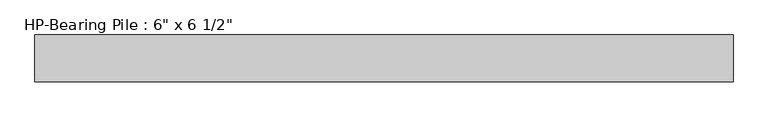
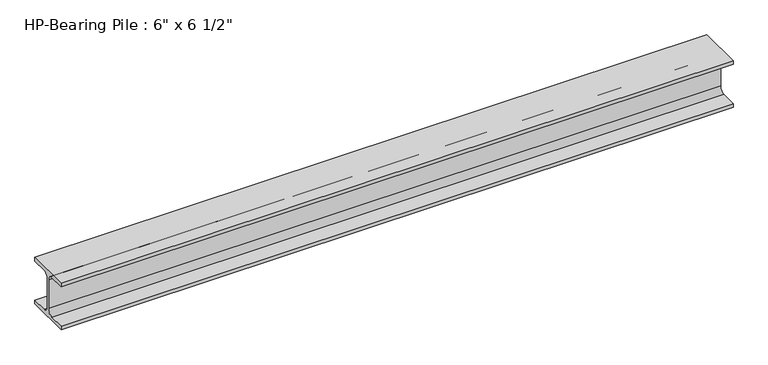
"""IFC4 building model written with IfcOpenShell, lengths in millimetres: beam geometry."""

from ifc_helpers import new_model, si_unit, point, frame, frame_2d, origin, place, context, project, spatial, polyline, circle_curve, trimmed, segment, composite_curve, outline, extrude, source, transform, mapped, element, save


def beam_7b794544(model_context):
    return source(origin(), model_context, "Body", "SweptSolid", [
        extrude(outline(composite_curve([segment(polyline([(76.2, -69.85), (76.2, -82.55), (-76.2, -82.55), (-76.2, -69.85), (-22.225, -69.85)]), True, "CONTINUOUS"), segment(trimmed(circle_curve(frame_2d((-22.225, -50.8)), 19.05), [point((-22.225, -69.85))], [point((-3.175, -50.8))], True, "CARTESIAN"), True, "CONTINUOUS"), segment(polyline([(-3.175, -50.8), (-3.175, 50.8)]), True, "CONTINUOUS"), segment(trimmed(circle_curve(frame_2d((-22.225, 50.8)), 19.05), [point((-3.175, 50.8))], [point((-22.225, 69.85))], True, "CARTESIAN"), True, "CONTINUOUS"), segment(polyline([(-22.225, 69.85), (-76.2, 69.85), (-76.2, 82.55), (76.2, 82.55), (76.2, 69.85), (22.225, 69.85)]), True, "CONTINUOUS"), segment(trimmed(circle_curve(frame_2d((22.225, 50.8)), 19.05), [point((22.225, 69.85))], [point((3.175, 50.8))], True, "CARTESIAN"), True, "CONTINUOUS"), segment(polyline([(3.175, 50.8), (3.175, -50.8)]), True, "CONTINUOUS"), segment(trimmed(circle_curve(frame_2d((22.225, -50.8)), 19.05), [point((3.175, -50.8))], [point((22.225, -69.85))], True, "CARTESIAN"), True, "CONTINUOUS"), segment(polyline([(22.225, -69.85), (76.2, -69.85)]), True, "CONTINUOUS")], self_intersect=False)), frame((-1132.2946011, 0.0, 0.0), z_axis=(1.0, 0.0, 0.0), x_axis=(0.0, 1.0, 0.0)), (0.0, 0.0, 1.0), 2264.5892021),
    ])


if __name__ == "__main__":
    model = new_model("IFC4")
    model_context = context("Model", 3, world=origin())
    ifc_project = project(units=[si_unit("LENGTHUNIT", "METRE", prefix="MILLI")], contexts=[model_context])
    site = spatial("IfcSite", under=ifc_project)
    building = spatial("IfcBuilding", under=site)
    placement = place(None, origin())
    beam_shape = beam_7b794544(model_context)
    element("IfcBeam", 1, ObjectType="HP-Bearing Pile : 6\" x 6 1/2\"", at=placement, inside=building, context=model_context, shape_type="MappedRepresentation", body=[
        mapped(beam_shape, transform((0.0, 0.0, 0.0), x_axis=(1.0, 0.0, 0.0), y_axis=(0.0, 1.0, 0.0), z_axis=(0.0, 0.0, 1.0))),
    ])
    save(model, "model.ifc")
